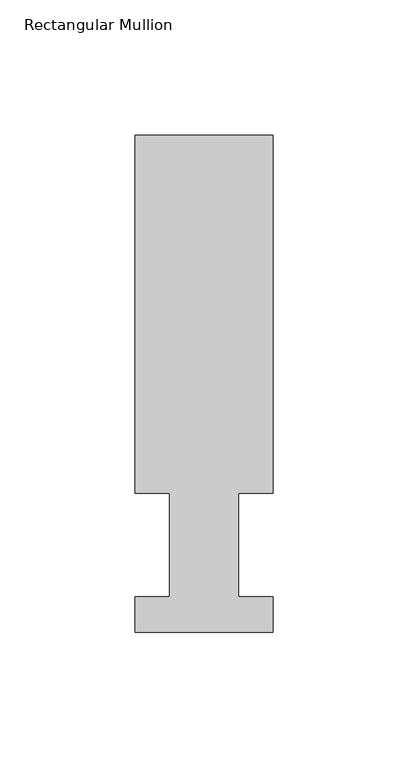
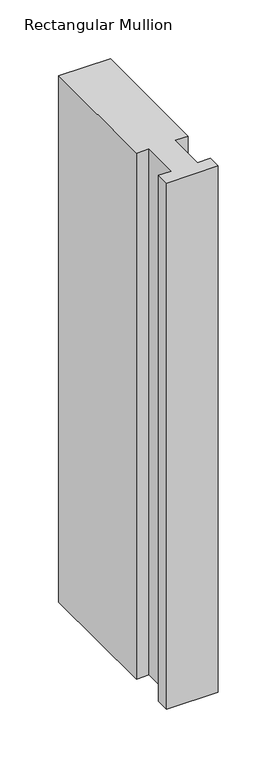
"""IFC4 building model written with IfcOpenShell, lengths in millimetres: member geometry, Rectangular Mullion."""

from ifc_helpers import new_model, si_unit, frame, origin, place, context, project, spatial, polyline, outline, extrude, source, transform, mapped, element, save


def rectangular_mullion_8465053b(model_context):
    return source(origin(), model_context, "Body", "SweptSolid", [
        extrude(outline(polyline([(-50.8, 13.1960937), (-38.1, 13.1960938), (-38.1, 51.2960938), (-50.8, 51.2960937), (-50.8, 183.4446737), (0.0, 183.4446737), (0.0, 51.2960938), (-12.7, 51.2960937), (-12.7, 13.1960938), (0.0, 13.1960938), (0.0, 0.0134937), (-50.8, 0.0134937), (-50.8, 13.1960937)])), frame((0.0, 0.0, -546.112667), z_axis=(0.0, 0.0, 1.0), x_axis=(1.0, 0.0, 0.0)), (0.0, 0.0, 1.0), 546.112667),
    ])


if __name__ == "__main__":
    model = new_model("IFC4")
    model_context = context("Model", 3, world=origin())
    ifc_project = project(units=[si_unit("LENGTHUNIT", "METRE", prefix="MILLI")], contexts=[model_context])
    site = spatial("IfcSite", under=ifc_project)
    building = spatial("IfcBuilding", under=site)
    placement = place(None, origin())
    rectangular_mullion_shape = rectangular_mullion_8465053b(model_context)
    element("IfcMember", 1, ObjectType="Rectangular Mullion", at=placement, inside=building, context=model_context, shape_type="MappedRepresentation", body=[
        mapped(rectangular_mullion_shape, transform((0.0, 0.0, 0.0), x_axis=(1.0, 0.0, 0.0), y_axis=(0.0, 1.0, 0.0), z_axis=(0.0, 0.0, 1.0))),
    ])
    save(model, "model.ifc")
